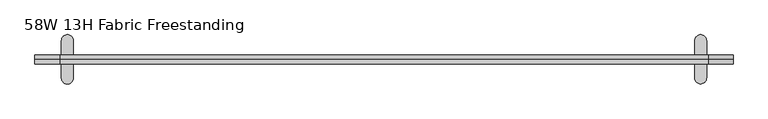
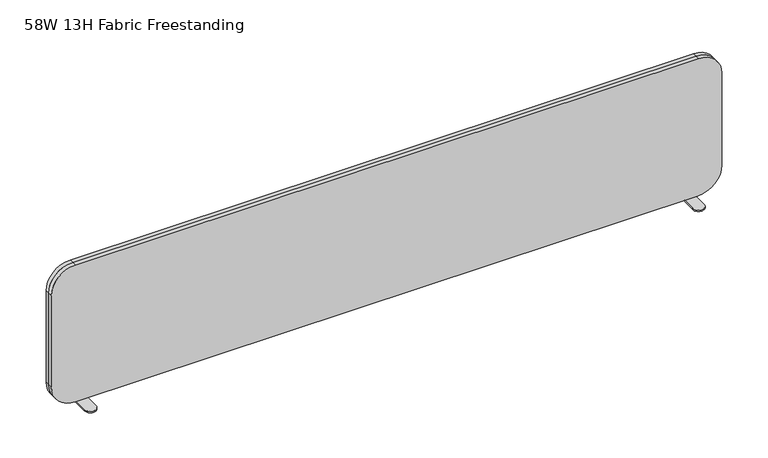
"""IFC4 building model written with IfcOpenShell, lengths in millimetres: furniture geometry, 58W 13H Fabric Freestanding."""

from ifc_helpers import new_model, si_unit, point, frame, frame_2d, origin, place, context, project, spatial, polyline, circle_curve, trimmed, segment, composite_curve, outline, extrude, source, transform, mapped, element, save


def furniture_58w_13h_fabric_freestanding_4f6249cf(model_context):
    return source(origin(), model_context, "Body", "SweptSolid", [
        extrude(outline(composite_curve([segment(polyline([(1387.7035696, -90.6462442), (1387.7035696, -12.6464954)]), True, "CONTINUOUS"), segment(trimmed(circle_curve(frame_2d((1400.4035696, -12.6464954)), 12.7), [point((1387.7035696, -12.6464954))], [point((1413.1035696, -12.6464954))], False, "CARTESIAN"), True, "CONTINUOUS"), segment(polyline([(1413.1035696, -12.6464954), (1413.1035696, -90.6462442)]), True, "CONTINUOUS"), segment(trimmed(circle_curve(frame_2d((1400.4035696, -90.6462442)), 12.7), [point((1413.1035696, -90.6462442))], [point((1387.7035696, -90.6462442))], False, "CARTESIAN"), True, "CONTINUOUS")], self_intersect=False)), frame((0.0, 0.0, 738.9554764), z_axis=(0.0, 0.0, 1.0), x_axis=(1.0, 0.0, 0.0)), (0.0, 0.0, 1.0), 3.1750242),
        extrude(outline(composite_curve([segment(polyline([(85.4202039, -12.5412009), (85.4202039, -90.9001557)]), True, "CONTINUOUS"), segment(trimmed(circle_curve(frame_2d((72.7202024, -90.9001557)), 12.7000015), [point((85.4202039, -90.9001557))], [point((60.0202009, -90.9001557))], False, "CARTESIAN"), True, "CONTINUOUS"), segment(polyline([(60.0202009, -90.9001557), (60.0202009, -12.5412009)]), True, "CONTINUOUS"), segment(trimmed(circle_curve(frame_2d((72.7202024, -12.5412009)), 12.7000015), [point((60.0202009, -12.5412009))], [point((85.4202039, -12.5412009))], False, "CARTESIAN"), True, "CONTINUOUS")], self_intersect=False)), frame((0.0, 0.0, 738.9554764), z_axis=(0.0, 0.0, 1.0), x_axis=(1.0, 0.0, 0.0)), (0.0, 0.0, 1.0), 3.1750242),
        extrude(outline(composite_curve([segment(polyline([(1005.9661679, 4.5211999), (795.5489692, 4.5211999)]), True, "CONTINUOUS"), segment(trimmed(circle_curve(frame_2d((795.5489692, 57.4669503)), 52.9457504), [point((795.5489692, 4.5211999))], [point((742.6032188, 57.4669503))], False, "CARTESIAN"), True, "CONTINUOUS"), segment(polyline([(742.6032188, 57.4669503), (742.6032188, 1415.5795987)]), True, "CONTINUOUS"), segment(trimmed(circle_curve(frame_2d((795.6262201, 1415.5795987)), 53.0230013), [point((742.6032188, 1415.5795987))], [point((795.6262201, 1468.6026))], False, "CARTESIAN"), True, "CONTINUOUS"), segment(polyline([(795.6262201, 1468.6026), (1008.4903566, 1468.6026)]), True, "CONTINUOUS"), segment(trimmed(circle_curve(frame_2d((1008.4903566, 1417.8026)), 50.8), [point((1008.4903566, 1468.6026))], [point((1059.2903566, 1417.8026))], False, "CARTESIAN"), True, "CONTINUOUS"), segment(polyline([(1059.2903566, 1417.8026), (1059.2903566, 57.8453886)]), True, "CONTINUOUS"), segment(trimmed(circle_curve(frame_2d((1005.9661679, 57.8453886)), 53.3241887), [point((1059.2903566, 57.8453886))], [point((1005.9661679, 4.5211999))], False, "CARTESIAN"), True, "CONTINUOUS")], self_intersect=False)), frame((0.0, -61.2901991, 0.0), z_axis=(0.0, 1.0, 0.0), x_axis=(0.0, 0.0, 1.0)), (0.0, 0.0, 1.0), 9.5249996),
        extrude(outline(composite_curve([segment(polyline([(1005.9661679, 4.5211999), (795.5489692, 4.5211999)]), True, "CONTINUOUS"), segment(trimmed(circle_curve(frame_2d((795.5489692, 57.4669503)), 52.9457504), [point((795.5489692, 4.5211999))], [point((742.6032188, 57.4669503))], False, "CARTESIAN"), True, "CONTINUOUS"), segment(polyline([(742.6032188, 57.4669503), (742.6032188, 1415.5795987)]), True, "CONTINUOUS"), segment(trimmed(circle_curve(frame_2d((795.6262201, 1415.5795987)), 53.0230013), [point((742.6032188, 1415.5795987))], [point((795.6262201, 1468.6026))], False, "CARTESIAN"), True, "CONTINUOUS"), segment(polyline([(795.6262201, 1468.6026), (1008.4903566, 1468.6026)]), True, "CONTINUOUS"), segment(trimmed(circle_curve(frame_2d((1008.4903566, 1417.8026)), 50.8), [point((1008.4903566, 1468.6026))], [point((1059.2903566, 1417.8026))], False, "CARTESIAN"), True, "CONTINUOUS"), segment(polyline([(1059.2903566, 1417.8026), (1059.2903566, 57.8453886)]), True, "CONTINUOUS"), segment(trimmed(circle_curve(frame_2d((1005.9661679, 57.8453886)), 53.3241887), [point((1059.2903566, 57.8453886))], [point((1005.9661679, 4.5211999))], False, "CARTESIAN"), True, "CONTINUOUS")], self_intersect=False)), frame((0.0, -51.7651996, 0.0), z_axis=(0.0, 1.0, 0.0), x_axis=(0.0, 0.0, 1.0)), (0.0, 0.0, 1.0), 9.5249996),
    ])


if __name__ == "__main__":
    model = new_model("IFC4")
    model_context = context("Model", 3, world=origin())
    ifc_project = project(units=[si_unit("LENGTHUNIT", "METRE", prefix="MILLI")], contexts=[model_context])
    site = spatial("IfcSite", under=ifc_project)
    building = spatial("IfcBuilding", under=site)
    placement = place(None, origin())
    furniture_58w_13h_fabric_freestanding_shape = furniture_58w_13h_fabric_freestanding_4f6249cf(model_context)
    element("IfcFurniture", 1, ObjectType="58W 13H Fabric Freestanding", at=placement, inside=building, context=model_context, shape_type="MappedRepresentation", body=[
        mapped(furniture_58w_13h_fabric_freestanding_shape, transform((0.0, 0.0, 0.0), x_axis=(1.0, 0.0, 0.0), y_axis=(0.0, 1.0, 0.0), z_axis=(0.0, 0.0, 1.0))),
    ])
    save(model, "model.ifc")
